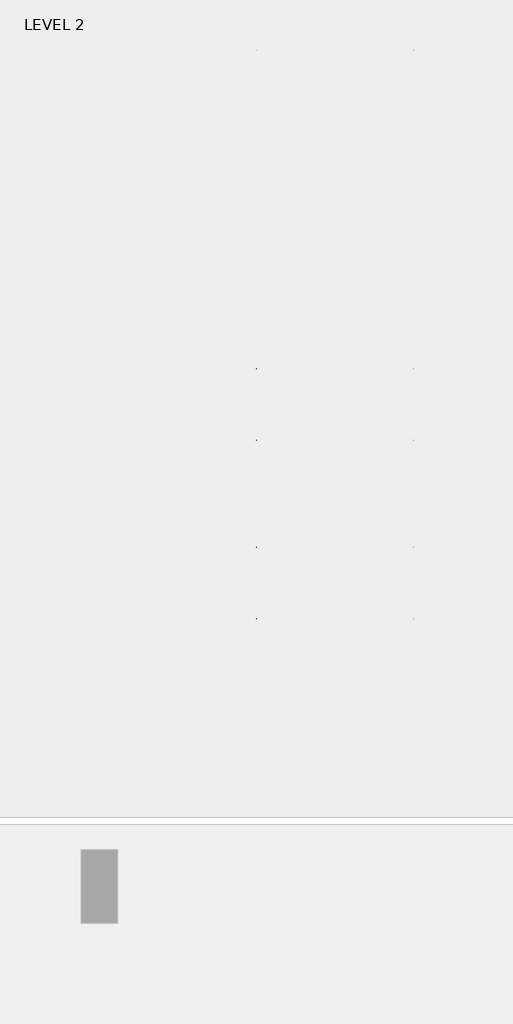
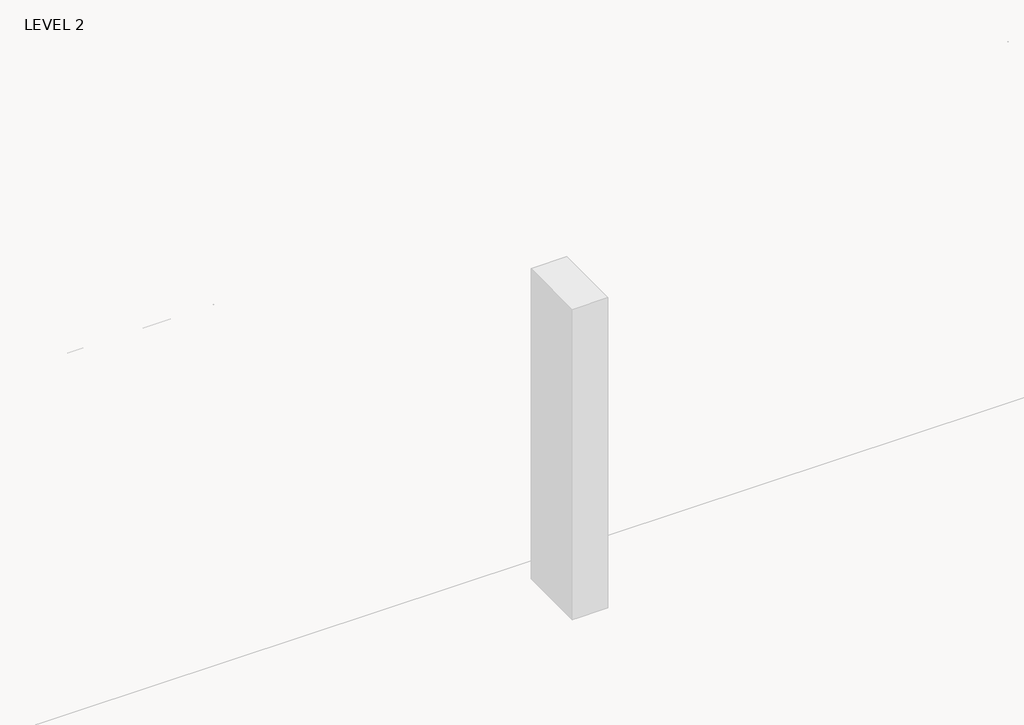
# One storey, part 36 of 67: 1 beam.
"""IFC4 building model written with IfcOpenShell, lengths in millimetres."""

from ifc_helpers import new_model, si_unit, frame, origin, place, context, project, spatial, polyline, outline, extrude, faceted_brep, element, save

model = new_model("IFC4")

# Units and contexts
model_context = context("Model", 3, world=origin())
ifc_project = project(units=[si_unit("LENGTHUNIT", "METRE", prefix="MILLI")], contexts=[model_context])

# Site, building, storey
site = spatial("IfcSite", under=ifc_project)
building = spatial("IfcBuilding", under=site)
storey = spatial("IfcBuildingStorey", under=building, Name="LEVEL 2", Elevation=6908.8)

# Beam
placement = place(None, origin())
element("IfcBeam", 1, ObjectType="K-Series Bar Joist-Angle Web : 12K3", at=placement, inside=storey, context=model_context, shape_type="SolidModel", body=[
    extrude(outline(polyline([(0.0, -9.525), (0.0, 0.0), (573.7533355, 0.0), (573.7533355, -9.525), (0.0, -9.525)])), frame((34177.8014942, -9604.1227945, 6274.1671734), z_axis=(0.0, -0.48308851527800273, 0.8755715198694479), x_axis=(0.0, -0.8755715198694479, -0.48308851527800273)), (0.0, 0.0, 1.0), 9.525),
    extrude(outline(polyline([(0.0, -9.525), (0.0, 0.0), (573.7533355, 0.0), (573.7533355, -9.525), (0.0, -9.525)])), frame((34168.2764942, -14433.5123055, 6174.0312759), z_axis=(0.0, 0.44637950228858414, 0.894843751688861), x_axis=(0.0, 0.894843751688861, -0.44637950228858414)), (0.0, 0.0, 1.0), 9.525),
    extrude(outline(polyline([(4.7625, 4.7625), (4.7625, -4.7625), (-4.7625, -4.7625), (-4.7625, 4.7625), (4.7625, 4.7625)])), frame((34173.0389942, -10108.7855836, 6001.1634358), z_axis=(0.0, 0.5271021201119526, 0.8498019504410923), x_axis=(-1.0, 0.0, 0.0)), (0.0, 0.0, 1.0), 317.9950191),
    extrude(outline(polyline([(4.7625, 4.7625), (4.7625, -4.7625001), (-4.7625, -4.7625001), (-4.7625, 4.7625), (4.7625, 4.7625)])), frame((34173.0389942, -13917.9668359, 5922.1812409), z_axis=(0.0, -0.5618747002661082, 0.8272223529383567), x_axis=(-1.0, 0.0, 0.0)), (0.0, 0.0, 1.0), 317.9950191),
    extrude(outline(polyline([(0.0, 0.0), (31.75, 0.0), (31.75, -6.35), (6.35, -6.35), (6.35, -31.75), (0.0, -31.75), (0.0, 0.0)])), frame((34177.8014942, -14019.4133656, 5913.7264136), z_axis=(0.0, 0.9997851055909517, 0.020730234887470715), x_axis=(1.0, 0.0, 0.0)), (0.0, 0.0, 1.0), 4013.2),
    extrude(outline(polyline([(-9.525, 0.0), (-9.525, -31.75), (-15.875, -31.75), (-15.875, -6.35), (-41.275, -6.35), (-41.275, 0.0), (-9.525, 0.0)])), frame((34177.8014942, -14019.4133656, 5913.7264136), z_axis=(0.0, 0.9997851055909517, 0.020730234887470715), x_axis=(1.0, 0.0, 0.0)), (0.0, 0.0, 1.0), 4013.2),
    extrude(outline(polyline([(-31.75, 0.0), (0.0, 0.0), (0.0, -6.35), (-25.4, -6.35), (-25.4, -31.75), (-31.75, -31.75), (-31.75, 0.0)])), frame((34209.5514942, -14532.3064049, 6144.4436003), z_axis=(0.0, 0.9997851055909517, 0.020730234887470715), x_axis=(1.0, 0.0, 0.0)), (0.0, 0.0, 1.0), 101.6),
    extrude(outline(polyline([(-41.275, 0.0), (-41.275, -31.75), (-47.625, -31.75), (-47.625, -6.35), (-73.025, -6.35), (-73.025, 0.0), (-41.275, 0.0)])), frame((34209.5514942, -14532.3064049, 6144.4436003), z_axis=(0.0, 0.9997851055909517, 0.020730234887470715), x_axis=(1.0, 0.0, 0.0)), (0.0, 0.0, 1.0), 101.6),
    extrude(outline(polyline([(0.0, 0.0), (31.75, 0.0), (31.75, -6.35), (6.35, -6.35), (6.35, -31.75), (0.0, -31.75), (0.0, 0.0)])), frame((34168.2764942, -9605.7653186, 6246.5939057), z_axis=(0.0, 0.9997851055909517, 0.020730234887470715), x_axis=(0.0, -0.020730234887470715, 0.9997851055909517)), (0.0, 0.0, 1.0), 101.6),
    extrude(outline(polyline([(0.0, 41.275), (6.35, 41.275), (6.35, 15.875), (31.75, 15.875), (31.75, 9.525), (0.0, 9.525), (0.0, 41.275)])), frame((34168.2764942, -9605.7653186, 6246.5939057), z_axis=(0.0, 0.9997851055909517, 0.020730234887470715), x_axis=(0.0, -0.020730234887470715, 0.9997851055909517)), (0.0, 0.0, 1.0), 101.6),
    extrude(outline(polyline([(0.0, 0.0), (31.75, 0.0), (31.75, -6.35), (6.35, -6.35), (6.35, -31.75), (0.0, -31.75), (0.0, 0.0)])), frame((34177.8014942, -14533.6227748, 6207.9299545), z_axis=(0.0, 0.9997851055909517, 0.020730234887470715), x_axis=(0.0, 0.020730234887470715, -0.9997851055909517)), (0.0, 0.0, 1.0), 5029.2),
    extrude(outline(polyline([(0.0, 9.525), (0.0, 41.275), (6.35, 41.275), (6.35, 15.875), (31.75, 15.875), (31.75, 9.525), (0.0, 9.525)])), frame((34177.8014942, -14533.6227748, 6207.9299545), z_axis=(0.0, 0.9997851055909517, 0.020730234887470715), x_axis=(0.0, 0.020730234887470715, -0.9997851055909517)), (0.0, 0.0, 1.0), 5029.2),
    faceted_brep([(34173.0389942, -10109.114676, 6017.0350244), (34173.0389942, -10108.7197651, 5997.9891181), (34168.2764942, -10108.7197651, 5997.9891181), (34168.2764942, -10109.114676, 6017.0350244), (34173.0389942, -10109.9510625, 6017.0176822), (34173.0389942, -10276.1904217, 6293.0308149), (34173.0389942, -10294.3999415, 6292.6532461), (34173.0389942, -10294.0050305, 6273.6073399), (34173.0389942, -10286.8200086, 6273.7563191), (34173.0389942, -10120.5806494, 5997.7431863), (34168.2764942, -10120.5806494, 5997.7431863), (34168.2764942, -10141.3605693, 6032.2448279), (34168.2764942, -10137.2808829, 6034.7019736), (34168.2764942, -10273.294904, 6260.5309003), (34168.2764942, -10277.3745905, 6258.0737547), (34168.2764942, -10286.8200086, 6273.7563191), (34168.2764942, -10294.0050305, 6273.6073399), (34168.2764942, -10294.3999415, 6292.6532461), (34168.2764942, -10276.1904217, 6293.0308149), (34168.2764942, -10109.9510625, 6017.0176822), (34155.5764942, -10277.3745905, 6258.0737547), (34155.5764942, -10141.3605693, 6032.2448279), (34155.5764942, -10137.2808829, 6034.7019736), (34155.5764942, -10273.294904, 6260.5309003)], [[[0, 1, 2, 3]], [[1, 0, 4, 5, 6, 7, 8, 9]], [[2, 1, 9, 10]], [[3, 2, 10, 11, 12, 13, 14, 15, 16, 17, 18, 19]], [[0, 3, 19, 4]], [[9, 8, 15, 14, 20, 21, 11, 10]], [[5, 4, 19, 18]], [[7, 6, 17, 16]], [[8, 7, 16, 15]], [[6, 5, 18, 17]], [[21, 22, 12, 11]], [[20, 14, 13, 23]], [[22, 21, 20, 23]], [[12, 22, 23, 13]]]),
    extrude(outline(polyline([(-10455.0089698, 5990.8089186), (-10455.4038808, 6009.8548248), (-10454.5674943, 6009.872167), (-10299.9121904, 6292.5389513), (-10281.7026706, 6292.9165201), (-10281.3077596, 6273.8706138), (-10288.4927815, 6273.7216346), (-10443.1480854, 5991.0548503), (-10455.0089698, 5990.8089186)])), frame((34173.0389942, 0.0, 0.0), z_axis=(1.0, 0.0, 0.0), x_axis=(0.0, 1.0, 0.0)), (0.0, 0.0, 1.0), 4.7625),
    extrude(outline(polyline([(-4.7625, 4.7625), (-4.7625, 0.0), (-17.4625, 0.0), (-17.4625, 4.7625), (-4.7625, 4.7625)])), frame((34173.0389942, -10423.8161725, 6026.3881984), z_axis=(0.0, 0.4799841217599757, 0.8772771756168657), x_axis=(-1.0, 0.0, 0.0)), (0.0, 0.0, 1.0), 263.6257159),
    faceted_brep([(34173.0389942, -13572.0067236, 5945.233029), (34173.0389942, -13571.6118126, 5926.1871227), (34168.2764942, -13571.6118126, 5926.1871227), (34168.2764942, -13572.0067236, 5945.233029), (34173.0389942, -13572.8431101, 5945.2156868), (34173.0389942, -13739.0824692, 6221.2288195), (34173.0389942, -13757.291989, 6220.8512507), (34173.0389942, -13756.897078, 6201.8053445), (34173.0389942, -13749.7120561, 6201.9543237), (34173.0389942, -13583.472697, 5925.941191), (34168.2764942, -13583.472697, 5925.941191), (34168.2764942, -13604.2526169, 5960.4428325), (34168.2764942, -13600.1729304, 5962.8999782), (34168.2764942, -13736.1869515, 6188.7289049), (34168.2764942, -13740.266638, 6186.2717593), (34168.2764942, -13749.7120561, 6201.9543237), (34168.2764942, -13756.897078, 6201.8053445), (34168.2764942, -13757.291989, 6220.8512507), (34168.2764942, -13739.0824692, 6221.2288195), (34168.2764942, -13572.8431101, 5945.2156868), (34155.5764942, -13740.266638, 6186.2717593), (34155.5764942, -13604.2526169, 5960.4428325), (34155.5764942, -13600.1729304, 5962.8999782), (34155.5764942, -13736.1869515, 6188.7289049)], [[[0, 1, 2, 3]], [[1, 0, 4, 5, 6, 7, 8, 9]], [[2, 1, 9, 10]], [[3, 2, 10, 11, 12, 13, 14, 15, 16, 17, 18, 19]], [[0, 3, 19, 4]], [[9, 8, 15, 14, 20, 21, 11, 10]], [[5, 4, 19, 18]], [[7, 6, 17, 16]], [[8, 7, 16, 15]], [[6, 5, 18, 17]], [[21, 22, 12, 11]], [[20, 14, 13, 23]], [[22, 21, 20, 23]], [[12, 22, 23, 13]]]),
    extrude(outline(polyline([(-13917.9010174, 5919.0069232), (-13918.2959283, 5938.0528295), (-13917.4595419, 5938.0701717), (-13762.804238, 6220.736956), (-13744.5947182, 6221.1145247), (-13744.1998072, 6202.0686185), (-13751.3848291, 6201.9196392), (-13906.040133, 5919.252855), (-13917.9010174, 5919.0069232)])), frame((34173.0389942, 0.0, 0.0), z_axis=(1.0, 0.0, 0.0), x_axis=(0.0, 1.0, 0.0)), (0.0, 0.0, 1.0), 4.7625),
    extrude(outline(polyline([(-4.7625, 4.7625001), (-4.7625, 0.0), (-17.4625, 0.0), (-17.4625, 4.7625001), (-4.7625, 4.7625001)])), frame((34173.0389942, -13886.70822, 5954.586203), z_axis=(0.0, 0.4799841217599757, 0.8772771756168657), x_axis=(-1.0, 0.0, 0.0)), (0.0, 0.0, 1.0), 263.6257159),
    faceted_brep([(34173.0389942, -10455.4038808, 6009.8548248), (34173.0389942, -10455.0089698, 5990.8089186), (34168.2764942, -10455.0089698, 5990.8089186), (34168.2764942, -10455.4038808, 6009.8548248), (34173.0389942, -10456.2402673, 6009.8374826), (34173.0389942, -10622.4796264, 6285.8506153), (34173.0389942, -10640.6891462, 6285.4730466), (34173.0389942, -10640.2942352, 6266.4271403), (34173.0389942, -10633.1092134, 6266.5761195), (34173.0389942, -10466.8698542, 5990.5629868), (34168.2764942, -10466.8698542, 5990.5629868), (34168.2764942, -10487.6497741, 6025.0646284), (34168.2764942, -10483.5700876, 6027.521774), (34168.2764942, -10619.5841088, 6253.3507008), (34168.2764942, -10623.6637952, 6250.8935552), (34168.2764942, -10633.1092134, 6266.5761195), (34168.2764942, -10640.2942352, 6266.4271403), (34168.2764942, -10640.6891462, 6285.4730466), (34168.2764942, -10622.4796264, 6285.8506153), (34168.2764942, -10456.2402673, 6009.8374826), (34155.5764942, -10623.6637952, 6250.8935552), (34155.5764942, -10487.6497741, 6025.0646284), (34155.5764942, -10483.5700876, 6027.521774), (34155.5764942, -10619.5841088, 6253.3507008)], [[[0, 1, 2, 3]], [[1, 0, 4, 5, 6, 7, 8, 9]], [[2, 1, 9, 10]], [[3, 2, 10, 11, 12, 13, 14, 15, 16, 17, 18, 19]], [[0, 3, 19, 4]], [[9, 8, 15, 14, 20, 21, 11, 10]], [[5, 4, 19, 18]], [[7, 6, 17, 16]], [[8, 7, 16, 15]], [[6, 5, 18, 17]], [[21, 22, 12, 11]], [[20, 14, 13, 23]], [[22, 21, 20, 23]], [[12, 22, 23, 13]]]),
    extrude(outline(polyline([(-10801.2981746, 5983.628719), (-10801.6930855, 6002.6746253), (-10800.8566991, 6002.6919675), (-10646.2013952, 6285.3587518), (-10627.9918754, 6285.7363206), (-10627.5969644, 6266.6904143), (-10634.7819863, 6266.5414351), (-10789.4372902, 5983.8746508), (-10801.2981746, 5983.628719)])), frame((34173.0389942, 0.0, 0.0), z_axis=(1.0, 0.0, 0.0), x_axis=(0.0, 1.0, 0.0)), (0.0, 0.0, 1.0), 4.7625),
    extrude(outline(polyline([(-4.7625, 4.7625001), (-4.7625, 0.0), (-17.4625, 0.0), (-17.4625, 4.7625001), (-4.7625, 4.7625001)])), frame((34173.0389942, -10770.1053772, 6019.2079988), z_axis=(0.0, 0.4799841217599757, 0.8772771756168657), x_axis=(-1.0, 0.0, 0.0)), (0.0, 0.0, 1.0), 263.6257159),
    faceted_brep([(34173.0389942, -10801.6930855, 6002.6746253), (34173.0389942, -10801.2981746, 5983.628719), (34168.2764942, -10801.2981746, 5983.628719), (34168.2764942, -10801.6930855, 6002.6746253), (34173.0389942, -10802.529472, 6002.6572831), (34173.0389942, -10968.7688312, 6278.6704158), (34173.0389942, -10986.978351, 6278.292847), (34173.0389942, -10986.58344, 6259.2469408), (34173.0389942, -10979.3984181, 6259.39592), (34173.0389942, -10813.1590589, 5983.3827873), (34168.2764942, -10813.1590589, 5983.3827873), (34168.2764942, -10833.9389788, 6017.8844289), (34168.2764942, -10829.8592924, 6020.3415745), (34168.2764942, -10965.8733135, 6246.1705013), (34168.2764942, -10969.953, 6243.7133556), (34168.2764942, -10979.3984181, 6259.39592), (34168.2764942, -10986.58344, 6259.2469408), (34168.2764942, -10986.978351, 6278.292847), (34168.2764942, -10968.7688312, 6278.6704158), (34168.2764942, -10802.529472, 6002.6572831), (34155.5764942, -10969.953, 6243.7133556), (34155.5764942, -10833.9389788, 6017.8844289), (34155.5764942, -10829.8592924, 6020.3415745), (34155.5764942, -10965.8733135, 6246.1705013)], [[[0, 1, 2, 3]], [[1, 0, 4, 5, 6, 7, 8, 9]], [[2, 1, 9, 10]], [[3, 2, 10, 11, 12, 13, 14, 15, 16, 17, 18, 19]], [[0, 3, 19, 4]], [[9, 8, 15, 14, 20, 21, 11, 10]], [[5, 4, 19, 18]], [[7, 6, 17, 16]], [[8, 7, 16, 15]], [[6, 5, 18, 17]], [[21, 22, 12, 11]], [[20, 14, 13, 23]], [[22, 21, 20, 23]], [[12, 22, 23, 13]]]),
    extrude(outline(polyline([(-11147.5873793, 5976.4485195), (-11147.9822903, 5995.4944258), (-11147.1459038, 5995.511768), (-10992.4905999, 6278.1785523), (-10974.2810801, 6278.556121), (-10973.8861692, 6259.5102148), (-10981.071191, 6259.3612356), (-11135.726495, 5976.6944513), (-11147.5873793, 5976.4485195)])), frame((34173.0389942, 0.0, 0.0), z_axis=(1.0, 0.0, 0.0), x_axis=(0.0, 1.0, 0.0)), (0.0, 0.0, 1.0), 4.7625),
    extrude(outline(polyline([(-4.7625, 4.7625), (-4.7625, 0.0), (-17.4625, 0.0), (-17.4625, 4.7625), (-4.7625, 4.7625)])), frame((34173.0389942, -11116.394582, 6012.0277993), z_axis=(0.0, 0.4799841217599757, 0.8772771756168657), x_axis=(-1.0, 0.0, 0.0)), (0.0, 0.0, 1.0), 263.6257159),
    faceted_brep([(34173.0389942, -11147.9822903, 5995.4944258), (34173.0389942, -11147.5873793, 5976.4485195), (34168.2764942, -11147.5873793, 5976.4485195), (34168.2764942, -11147.9822903, 5995.4944258), (34173.0389942, -11148.8186768, 5995.4770835), (34173.0389942, -11315.0580359, 6271.4902163), (34173.0389942, -11333.2675557, 6271.1126475), (34173.0389942, -11332.8726447, 6252.0667412), (34173.0389942, -11325.6876229, 6252.2157204), (34173.0389942, -11159.4482637, 5976.2025877), (34168.2764942, -11159.4482637, 5976.2025877), (34168.2764942, -11180.2281836, 6010.7042293), (34168.2764942, -11176.1484971, 6013.1613749), (34168.2764942, -11312.1625183, 6238.9903017), (34168.2764942, -11316.2422047, 6236.5331561), (34168.2764942, -11325.6876229, 6252.2157204), (34168.2764942, -11332.8726447, 6252.0667412), (34168.2764942, -11333.2675557, 6271.1126475), (34168.2764942, -11315.0580359, 6271.4902163), (34168.2764942, -11148.8186768, 5995.4770835), (34155.5764942, -11316.2422047, 6236.5331561), (34155.5764942, -11180.2281836, 6010.7042293), (34155.5764942, -11176.1484971, 6013.1613749), (34155.5764942, -11312.1625183, 6238.9903017)], [[[0, 1, 2, 3]], [[1, 0, 4, 5, 6, 7, 8, 9]], [[2, 1, 9, 10]], [[3, 2, 10, 11, 12, 13, 14, 15, 16, 17, 18, 19]], [[0, 3, 19, 4]], [[9, 8, 15, 14, 20, 21, 11, 10]], [[5, 4, 19, 18]], [[7, 6, 17, 16]], [[8, 7, 16, 15]], [[6, 5, 18, 17]], [[21, 22, 12, 11]], [[20, 14, 13, 23]], [[22, 21, 20, 23]], [[12, 22, 23, 13]]]),
    extrude(outline(polyline([(-11493.8765841, 5969.26832), (-11494.2714951, 5988.3142262), (-11493.4351086, 5988.3315684), (-11338.7798047, 6270.9983527), (-11320.5702849, 6271.3759215), (-11320.1753739, 6252.3300152), (-11327.3603958, 6252.181036), (-11482.0156997, 5969.5142517), (-11493.8765841, 5969.26832)])), frame((34173.0389942, 0.0, 0.0), z_axis=(1.0, 0.0, 0.0), x_axis=(0.0, 1.0, 0.0)), (0.0, 0.0, 1.0), 4.7625),
    extrude(outline(polyline([(-4.7625, 4.7625), (-4.7625, 0.0), (-17.4625, 0.0), (-17.4625, 4.7625), (-4.7625, 4.7625)])), frame((34173.0389942, -11462.6837867, 6004.8475998), z_axis=(0.0, 0.4799841217599757, 0.8772771756168657), x_axis=(-1.0, 0.0, 0.0)), (0.0, 0.0, 1.0), 263.6257159),
    faceted_brep([(34173.0389942, -11494.2714951, 5988.3142262), (34173.0389942, -11493.8765841, 5969.26832), (34168.2764942, -11493.8765841, 5969.26832), (34168.2764942, -11494.2714951, 5988.3142262), (34173.0389942, -11495.1078815, 5988.296884), (34173.0389942, -11661.3472407, 6264.3100167), (34173.0389942, -11679.5567605, 6263.932448), (34173.0389942, -11679.1618495, 6244.8865417), (34173.0389942, -11671.9768276, 6245.0355209), (34173.0389942, -11505.7374685, 5969.0223882), (34168.2764942, -11505.7374685, 5969.0223882), (34168.2764942, -11526.5173883, 6003.5240298), (34168.2764942, -11522.4377019, 6005.9811754), (34168.2764942, -11658.451723, 6231.8101022), (34168.2764942, -11662.5314095, 6229.3529565), (34168.2764942, -11671.9768276, 6245.0355209), (34168.2764942, -11679.1618495, 6244.8865417), (34168.2764942, -11679.5567605, 6263.932448), (34168.2764942, -11661.3472407, 6264.3100167), (34168.2764942, -11495.1078815, 5988.296884), (34155.5764942, -11662.5314095, 6229.3529565), (34155.5764942, -11526.5173883, 6003.5240298), (34155.5764942, -11522.4377019, 6005.9811754), (34155.5764942, -11658.451723, 6231.8101022)], [[[0, 1, 2, 3]], [[1, 0, 4, 5, 6, 7, 8, 9]], [[2, 1, 9, 10]], [[3, 2, 10, 11, 12, 13, 14, 15, 16, 17, 18, 19]], [[0, 3, 19, 4]], [[9, 8, 15, 14, 20, 21, 11, 10]], [[5, 4, 19, 18]], [[7, 6, 17, 16]], [[8, 7, 16, 15]], [[6, 5, 18, 17]], [[21, 22, 12, 11]], [[20, 14, 13, 23]], [[22, 21, 20, 23]], [[12, 22, 23, 13]]]),
    extrude(outline(polyline([(-11840.1657888, 5962.0881204), (-11840.5606998, 5981.1340267), (-11839.7243133, 5981.1513689), (-11685.0690094, 6263.8181532), (-11666.8594896, 6264.1957219), (-11666.4645787, 6245.1498157), (-11673.6496006, 6245.0008365), (-11828.3049045, 5962.3340522), (-11840.1657888, 5962.0881204)])), frame((34173.0389942, 0.0, 0.0), z_axis=(1.0, 0.0, 0.0), x_axis=(0.0, 1.0, 0.0)), (0.0, 0.0, 1.0), 4.7625),
    extrude(outline(polyline([(-4.7625, 4.7625), (-4.7625, 0.0), (-17.4625, 0.0), (-17.4625, 4.7625), (-4.7625, 4.7625)])), frame((34173.0389942, -11808.9729915, 5997.6674002), z_axis=(0.0, 0.4799841217599757, 0.8772771756168657), x_axis=(-1.0, 0.0, 0.0)), (0.0, 0.0, 1.0), 263.6257159),
    faceted_brep([(34173.0389942, -11840.5606998, 5981.1340267), (34173.0389942, -11840.1657888, 5962.0881204), (34168.2764942, -11840.1657888, 5962.0881204), (34168.2764942, -11840.5606998, 5981.1340267), (34173.0389942, -11841.3970863, 5981.1166845), (34173.0389942, -12007.6364454, 6257.1298172), (34173.0389942, -12025.8459652, 6256.7522484), (34173.0389942, -12025.4510543, 6237.7063422), (34173.0389942, -12018.2660324, 6237.8553214), (34173.0389942, -11852.0266732, 5961.8421887), (34168.2764942, -11852.0266732, 5961.8421887), (34168.2764942, -11872.8065931, 5996.3438302), (34168.2764942, -11868.7269066, 5998.8009759), (34168.2764942, -12004.7409278, 6224.6299026), (34168.2764942, -12008.8206142, 6222.172757), (34168.2764942, -12018.2660324, 6237.8553214), (34168.2764942, -12025.4510543, 6237.7063422), (34168.2764942, -12025.8459652, 6256.7522484), (34168.2764942, -12007.6364454, 6257.1298172), (34168.2764942, -11841.3970863, 5981.1166845), (34155.5764942, -12008.8206142, 6222.172757), (34155.5764942, -11872.8065931, 5996.3438302), (34155.5764942, -11868.7269066, 5998.8009759), (34155.5764942, -12004.7409278, 6224.6299026)], [[[0, 1, 2, 3]], [[1, 0, 4, 5, 6, 7, 8, 9]], [[2, 1, 9, 10]], [[3, 2, 10, 11, 12, 13, 14, 15, 16, 17, 18, 19]], [[0, 3, 19, 4]], [[9, 8, 15, 14, 20, 21, 11, 10]], [[5, 4, 19, 18]], [[7, 6, 17, 16]], [[8, 7, 16, 15]], [[6, 5, 18, 17]], [[21, 22, 12, 11]], [[20, 14, 13, 23]], [[22, 21, 20, 23]], [[12, 22, 23, 13]]]),
    extrude(outline(polyline([(-12186.4549936, 5954.9079209), (-12186.8499046, 5973.9538271), (-12186.0135181, 5973.9711694), (-12031.3582142, 6256.6379536), (-12013.1486944, 6257.0155224), (-12012.7537834, 6237.9696161), (-12019.9388053, 6237.8206369), (-12174.5941092, 5955.1538527), (-12186.4549936, 5954.9079209)])), frame((34173.0389942, 0.0, 0.0), z_axis=(1.0, 0.0, 0.0), x_axis=(0.0, 1.0, 0.0)), (0.0, 0.0, 1.0), 4.7625),
    extrude(outline(polyline([(-4.7625, 4.7625001), (-4.7625, 0.0), (-17.4625, 0.0), (-17.4625, 4.7625001), (-4.7625, 4.7625001)])), frame((34173.0389942, -12155.2621962, 5990.4872007), z_axis=(0.0, 0.4799841217599757, 0.8772771756168657), x_axis=(-1.0, 0.0, 0.0)), (0.0, 0.0, 1.0), 263.6257159),
    faceted_brep([(34173.0389942, -12186.8499046, 5973.9538271), (34173.0389942, -12186.4549936, 5954.9079209), (34168.2764942, -12186.4549936, 5954.9079209), (34168.2764942, -12186.8499046, 5973.9538271), (34173.0389942, -12187.686291, 5973.9364849), (34173.0389942, -12353.9256502, 6249.9496176), (34173.0389942, -12372.13517, 6249.5720489), (34173.0389942, -12371.740259, 6230.5261426), (34173.0389942, -12364.5552371, 6230.6751218), (34173.0389942, -12198.315878, 5954.6619891), (34168.2764942, -12198.315878, 5954.6619891), (34168.2764942, -12219.0957979, 5989.1636307), (34168.2764942, -12215.0161114, 5991.6207763), (34168.2764942, -12351.0301325, 6217.4497031), (34168.2764942, -12355.109819, 6214.9925575), (34168.2764942, -12364.5552371, 6230.6751218), (34168.2764942, -12371.740259, 6230.5261426), (34168.2764942, -12372.13517, 6249.5720489), (34168.2764942, -12353.9256502, 6249.9496176), (34168.2764942, -12187.686291, 5973.9364849), (34155.5764942, -12355.109819, 6214.9925575), (34155.5764942, -12219.0957979, 5989.1636307), (34155.5764942, -12215.0161114, 5991.6207763), (34155.5764942, -12351.0301325, 6217.4497031)], [[[0, 1, 2, 3]], [[1, 0, 4, 5, 6, 7, 8, 9]], [[2, 1, 9, 10]], [[3, 2, 10, 11, 12, 13, 14, 15, 16, 17, 18, 19]], [[0, 3, 19, 4]], [[9, 8, 15, 14, 20, 21, 11, 10]], [[5, 4, 19, 18]], [[7, 6, 17, 16]], [[8, 7, 16, 15]], [[6, 5, 18, 17]], [[21, 22, 12, 11]], [[20, 14, 13, 23]], [[22, 21, 20, 23]], [[12, 22, 23, 13]]]),
    extrude(outline(polyline([(-12532.7441983, 5947.7277213), (-12533.1391093, 5966.7736276), (-12532.3027228, 5966.7909698), (-12377.6474189, 6249.4577541), (-12359.4378991, 6249.8353229), (-12359.0429882, 6230.7894166), (-12366.2280101, 6230.6404374), (-12520.883314, 5947.9736531), (-12532.7441983, 5947.7277213)])), frame((34173.0389942, 0.0, 0.0), z_axis=(1.0, 0.0, 0.0), x_axis=(0.0, 1.0, 0.0)), (0.0, 0.0, 1.0), 4.7625),
    extrude(outline(polyline([(-4.7625, 4.7625), (-4.7625, 0.0), (-17.4625, 0.0), (-17.4625, 4.7625), (-4.7625, 4.7625)])), frame((34173.0389942, -12501.551401, 5983.3070011), z_axis=(0.0, 0.4799841217599757, 0.8772771756168657), x_axis=(-1.0, 0.0, 0.0)), (0.0, 0.0, 1.0), 263.6257159),
    faceted_brep([(34173.0389942, -12533.1391093, 5966.7736276), (34173.0389942, -12532.7441983, 5947.7277213), (34168.2764942, -12532.7441983, 5947.7277213), (34168.2764942, -12533.1391093, 5966.7736276), (34173.0389942, -12533.9754958, 5966.7562854), (34173.0389942, -12700.214855, 6242.7694181), (34173.0389942, -12718.4243747, 6242.3918493), (34173.0389942, -12718.0294638, 6223.3459431), (34173.0389942, -12710.8444419, 6223.4949223), (34173.0389942, -12544.6050827, 5947.4817896), (34168.2764942, -12544.6050827, 5947.4817896), (34168.2764942, -12565.3850026, 5981.9834312), (34168.2764942, -12561.3053162, 5984.4405768), (34168.2764942, -12697.3193373, 6210.2695036), (34168.2764942, -12701.3990237, 6207.8123579), (34168.2764942, -12710.8444419, 6223.4949223), (34168.2764942, -12718.0294638, 6223.3459431), (34168.2764942, -12718.4243747, 6242.3918493), (34168.2764942, -12700.214855, 6242.7694181), (34168.2764942, -12533.9754958, 5966.7562854), (34155.5764942, -12701.3990237, 6207.8123579), (34155.5764942, -12565.3850026, 5981.9834312), (34155.5764942, -12561.3053162, 5984.4405768), (34155.5764942, -12697.3193373, 6210.2695036)], [[[0, 1, 2, 3]], [[1, 0, 4, 5, 6, 7, 8, 9]], [[2, 1, 9, 10]], [[3, 2, 10, 11, 12, 13, 14, 15, 16, 17, 18, 19]], [[0, 3, 19, 4]], [[9, 8, 15, 14, 20, 21, 11, 10]], [[5, 4, 19, 18]], [[7, 6, 17, 16]], [[8, 7, 16, 15]], [[6, 5, 18, 17]], [[21, 22, 12, 11]], [[20, 14, 13, 23]], [[22, 21, 20, 23]], [[12, 22, 23, 13]]]),
    extrude(outline(polyline([(-12879.0334031, 5940.5475218), (-12879.4283141, 5959.5934281), (-12878.5919276, 5959.6107703), (-12723.9366237, 6242.2775546), (-12705.7271039, 6242.6551233), (-12705.3321929, 6223.6092171), (-12712.5172148, 6223.4602379), (-12867.1725187, 5940.7934536), (-12879.0334031, 5940.5475218)])), frame((34173.0389942, 0.0, 0.0), z_axis=(1.0, 0.0, 0.0), x_axis=(0.0, 1.0, 0.0)), (0.0, 0.0, 1.0), 4.7625),
    extrude(outline(polyline([(-4.7625, 4.7625001), (-4.7625, 0.0), (-17.4625, 0.0), (-17.4625, 4.7625001), (-4.7625, 4.7625001)])), frame((34173.0389942, -12847.8406057, 5976.1268016), z_axis=(0.0, 0.4799841217599757, 0.8772771756168657), x_axis=(-1.0, 0.0, 0.0)), (0.0, 0.0, 1.0), 263.6257159),
    faceted_brep([(34173.0389942, -12879.4283141, 5959.5934281), (34173.0389942, -12879.0334031, 5940.5475218), (34168.2764942, -12879.0334031, 5940.5475218), (34168.2764942, -12879.4283141, 5959.5934281), (34173.0389942, -12880.2647005, 5959.5760859), (34173.0389942, -13046.5040597, 6235.5892186), (34173.0389942, -13064.7135795, 6235.2116498), (34173.0389942, -13064.3186685, 6216.1657435), (34173.0389942, -13057.1336466, 6216.3147228), (34173.0389942, -12890.8942875, 5940.30159), (34168.2764942, -12890.8942875, 5940.30159), (34168.2764942, -12911.6742074, 5974.8032316), (34168.2764942, -12907.5945209, 5977.2603773), (34168.2764942, -13043.608542, 6203.089304), (34168.2764942, -13047.6882285, 6200.6321584), (34168.2764942, -13057.1336466, 6216.3147228), (34168.2764942, -13064.3186685, 6216.1657435), (34168.2764942, -13064.7135795, 6235.2116498), (34168.2764942, -13046.5040597, 6235.5892186), (34168.2764942, -12880.2647005, 5959.5760859), (34155.5764942, -13047.6882285, 6200.6321584), (34155.5764942, -12911.6742074, 5974.8032316), (34155.5764942, -12907.5945209, 5977.2603773), (34155.5764942, -13043.608542, 6203.089304)], [[[0, 1, 2, 3]], [[1, 0, 4, 5, 6, 7, 8, 9]], [[2, 1, 9, 10]], [[3, 2, 10, 11, 12, 13, 14, 15, 16, 17, 18, 19]], [[0, 3, 19, 4]], [[9, 8, 15, 14, 20, 21, 11, 10]], [[5, 4, 19, 18]], [[7, 6, 17, 16]], [[8, 7, 16, 15]], [[6, 5, 18, 17]], [[21, 22, 12, 11]], [[20, 14, 13, 23]], [[22, 21, 20, 23]], [[12, 22, 23, 13]]]),
    extrude(outline(polyline([(-13225.3226079, 5933.3673223), (-13225.7175188, 5952.4132285), (-13224.8811324, 5952.4305707), (-13070.2258284, 6235.097355), (-13052.0163087, 6235.4749238), (-13051.6213977, 6216.4290175), (-13058.8064196, 6216.2800383), (-13213.4617235, 5933.613254), (-13225.3226079, 5933.3673223)])), frame((34173.0389942, 0.0, 0.0), z_axis=(1.0, 0.0, 0.0), x_axis=(0.0, 1.0, 0.0)), (0.0, 0.0, 1.0), 4.7625),
    extrude(outline(polyline([(-4.7625, 4.7625), (-4.7625, 0.0), (-17.4625, 0.0), (-17.4625, 4.7625), (-4.7625, 4.7625)])), frame((34173.0389942, -13194.1298105, 5968.9466021), z_axis=(0.0, 0.4799841217599757, 0.8772771756168657), x_axis=(-1.0, 0.0, 0.0)), (0.0, 0.0, 1.0), 263.6257159),
    faceted_brep([(34173.0389942, -13225.7175188, 5952.4132285), (34173.0389942, -13225.3226079, 5933.3673223), (34168.2764942, -13225.3226079, 5933.3673223), (34168.2764942, -13225.7175188, 5952.4132285), (34173.0389942, -13226.5539053, 5952.3958863), (34173.0389942, -13392.7932645, 6228.409019), (34173.0389942, -13411.0027843, 6228.0314503), (34173.0389942, -13410.6078733, 6208.985544), (34173.0389942, -13403.4228514, 6209.1345232), (34173.0389942, -13237.1834922, 5933.1213905), (34168.2764942, -13237.1834922, 5933.1213905), (34168.2764942, -13257.9634121, 5967.6230321), (34168.2764942, -13253.8837257, 5970.0801777), (34168.2764942, -13389.8977468, 6195.9091045), (34168.2764942, -13393.9774333, 6193.4519589), (34168.2764942, -13403.4228514, 6209.1345232), (34168.2764942, -13410.6078733, 6208.985544), (34168.2764942, -13411.0027843, 6228.0314503), (34168.2764942, -13392.7932645, 6228.409019), (34168.2764942, -13226.5539053, 5952.3958863), (34155.5764942, -13393.9774333, 6193.4519589), (34155.5764942, -13257.9634121, 5967.6230321), (34155.5764942, -13253.8837257, 5970.0801777), (34155.5764942, -13389.8977468, 6195.9091045)], [[[0, 1, 2, 3]], [[1, 0, 4, 5, 6, 7, 8, 9]], [[2, 1, 9, 10]], [[3, 2, 10, 11, 12, 13, 14, 15, 16, 17, 18, 19]], [[0, 3, 19, 4]], [[9, 8, 15, 14, 20, 21, 11, 10]], [[5, 4, 19, 18]], [[7, 6, 17, 16]], [[8, 7, 16, 15]], [[6, 5, 18, 17]], [[21, 22, 12, 11]], [[20, 14, 13, 23]], [[22, 21, 20, 23]], [[12, 22, 23, 13]]]),
    extrude(outline(polyline([(-13571.6118126, 5926.1871227), (-13572.0067236, 5945.233029), (-13571.1703371, 5945.2503712), (-13416.5150332, 6227.9171555), (-13398.3055134, 6228.2947243), (-13397.9106024, 6209.248818), (-13405.0956243, 6209.0998388), (-13559.7509282, 5926.4330545), (-13571.6118126, 5926.1871227)])), frame((34173.0389942, 0.0, 0.0), z_axis=(1.0, 0.0, 0.0), x_axis=(0.0, 1.0, 0.0)), (0.0, 0.0, 1.0), 4.7625),
    extrude(outline(polyline([(-4.7625, 4.7625001), (-4.7625, 0.0), (-17.4625, 0.0), (-17.4625, 4.7625001), (-4.7625, 4.7625001)])), frame((34173.0389942, -13540.4190152, 5961.7664025), z_axis=(0.0, 0.4799841217599757, 0.8772771756168657), x_axis=(-1.0, 0.0, 0.0)), (0.0, 0.0, 1.0), 263.6257159),
])

save(model, "model.ifc")
